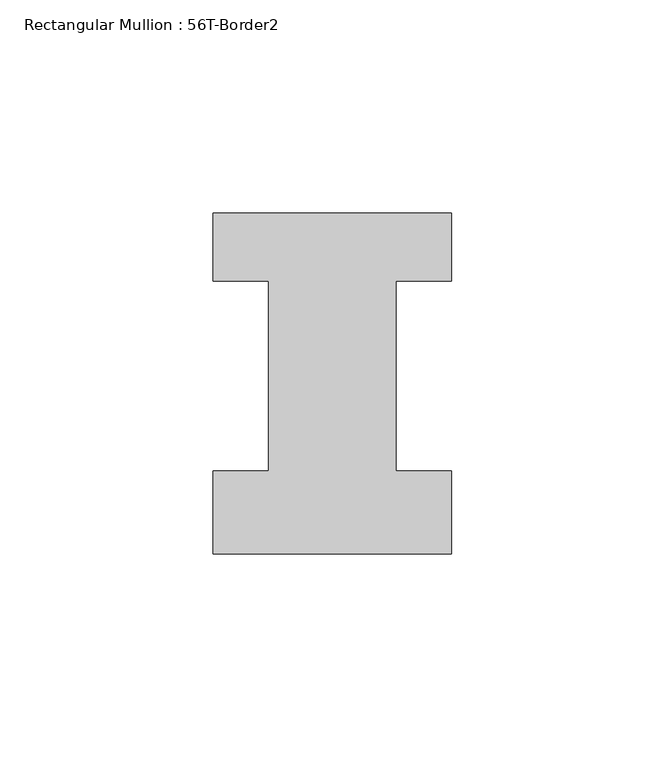
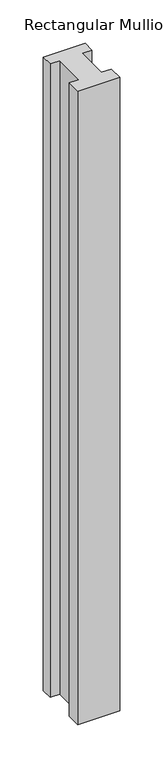
"""IFC4 building model written with IfcOpenShell, lengths in millimetres: member geometry, Rectangular Mullion : 56T-Border2."""

import ifcopenshell
import ifcopenshell.guid

model = None  # the IFC model being written
_history = None  # IfcOwnerHistory: only IFC2X3 demands one
_inside = {}  # id of a spatial element -> (the spatial element, [elements in it])
_under = {}  # id of a project, library or spatial element -> (it, [spatial elements below it])
_declared = {}  # id of a project -> (the project, [libraries it declares])
_typed = {}  # id of a type object -> (the type object, [elements of that type])
_made_of = {}  # id of a material, layer set ... -> (it, [elements and type objects made of it])


def new_model(schema):
    """Start an empty IFC model of exactly this schema.

    Asked for "IFC4X3", IfcOpenShell would pick the latest addendum, in which some entities
    have other attributes; the version numbers below select the first issue.
    IFC2X3 requires an IfcOwnerHistory on every rooted entity: one is made here for all.
    """
    global model, _history
    if schema == "IFC4X3":
        model = ifcopenshell.file(schema_version=(4, 3, 0, 0))
    else:
        model = ifcopenshell.file(schema=schema)
    _inside.clear()
    _under.clear()
    _declared.clear()
    _typed.clear()
    _made_of.clear()
    _history = None
    if model.schema == "IFC2X3":
        org = make("IfcOrganization", Name="unknown")
        user = make(
            "IfcPersonAndOrganization",
            ThePerson=make("IfcPerson", FamilyName="unknown"),
            TheOrganization=org,
        )
        app = make(
            "IfcApplication",
            ApplicationDeveloper=org,
            Version="unknown",
            ApplicationFullName="unknown",
            ApplicationIdentifier="unknown",
        )
        _history = make(
            "IfcOwnerHistory",
            OwningUser=user,
            OwningApplication=app,
            ChangeAction="ADDED",
            CreationDate=0,
        )
    return model


def make(cls, **values):
    """One entity of the class cls with the attributes given. An attribute that is None is left unset."""
    return model.create_entity(
        cls, **{name: value for name, value in values.items() if value is not None}
    )


def rooted(cls, **values):
    """An entity with a GlobalId (a new one), such as an element, a storey or a relation."""
    return make(cls, GlobalId=ifcopenshell.guid.new(), OwnerHistory=_history, **values)


def si_unit(unit_type, name, prefix=None):
    """IfcSIUnit, for example si_unit("LENGTHUNIT", "METRE", prefix="MILLI")."""
    return make("IfcSIUnit", UnitType=unit_type, Prefix=prefix, Name=name)


def assignment(units):
    """IfcUnitAssignment: the units of a project."""
    return None if units is None else make("IfcUnitAssignment", Units=units)


def point(xyz):
    """IfcCartesianPoint."""
    return None if xyz is None else make("IfcCartesianPoint", Coordinates=xyz)


def direction(xyz):
    """IfcDirection."""
    return None if xyz is None else make("IfcDirection", DirectionRatios=xyz)


def frame(location, z_axis=None, x_axis=None):
    """IfcAxis2Placement3D, a coordinate frame: its origin and axes. An axis left out is left unset."""
    return make(
        "IfcAxis2Placement3D",
        Location=point(location),
        Axis=direction(z_axis),
        RefDirection=direction(x_axis),
    )


def origin():
    """The frame at (0, 0, 0) with its axes left unset."""
    return frame((0.0, 0.0, 0.0))


def place(relative_to, where):
    """IfcLocalPlacement: puts the frame where relative to a parent placement (None: the world)."""
    return make(
        "IfcLocalPlacement", PlacementRelTo=relative_to, RelativePlacement=where
    )


def context(
    kind, dimensions, precision=None, world=None, true_north=None, identifier=None
):
    """IfcGeometricRepresentationContext, for example the 3D "Model" context."""
    return make(
        "IfcGeometricRepresentationContext",
        ContextIdentifier=identifier,
        ContextType=kind,
        CoordinateSpaceDimension=dimensions,
        Precision=precision,
        WorldCoordinateSystem=world,
        TrueNorth=true_north,
    )


def project(units=None, contexts=None):
    """IfcProject with its units and contexts."""
    return rooted(
        "IfcProject",
        Name="project",
        RepresentationContexts=contexts,
        UnitsInContext=assignment(units),
    )


def spatial(cls, under=None, at=None, **own):
    """A site, building, storey or space (cls), placed at a placement, below another one or the project."""
    s = rooted(cls, ObjectPlacement=at, **own)
    if under is not None:
        _under.setdefault(under.id(), (under, []))[1].append(s)
    return s


def polyline(points):
    """IfcPolyline through the points."""
    return make("IfcPolyline", Points=[point(p) for p in points])


def outline(outer, holes=None, kind="AREA"):
    """IfcArbitraryClosedProfileDef: a profile drawn as a closed curve; with holes, ...WithVoids."""
    if holes is None:
        return make("IfcArbitraryClosedProfileDef", ProfileType=kind, OuterCurve=outer)
    return make(
        "IfcArbitraryProfileDefWithVoids",
        ProfileType=kind,
        OuterCurve=outer,
        InnerCurves=holes,
    )


def extrude(swept, where, along, depth):
    """IfcExtrudedAreaSolid: the profile swept, set in the frame where, extruded along a direction by depth."""
    return make(
        "IfcExtrudedAreaSolid",
        SweptArea=swept,
        Position=where,
        ExtrudedDirection=direction(along),
        Depth=depth,
    )


def shape(context_of_items, identifier, shape_type, items):
    """IfcShapeRepresentation: the items that make up one representation, for example the "Body"."""
    return make(
        "IfcShapeRepresentation",
        ContextOfItems=context_of_items,
        RepresentationIdentifier=identifier,
        RepresentationType=shape_type,
        Items=items,
    )


def source(mapping_origin, context_of_items, identifier, shape_type, items):
    """IfcRepresentationMap: a shape defined once, which mapped items show again and again."""
    return make(
        "IfcRepresentationMap",
        MappingOrigin=mapping_origin,
        MappedRepresentation=shape(context_of_items, identifier, shape_type, items),
    )


def transform(
    local_origin,
    x_axis=None,
    y_axis=None,
    z_axis=None,
    scale=None,
    scale2=None,
    scale3=None,
    uniform=True,
):
    """IfcCartesianTransformationOperator3D, or its non-uniform kind. x_axis, y_axis, z_axis: its Axis1, 2, 3."""
    if uniform:
        return make(
            "IfcCartesianTransformationOperator3D",
            Axis1=direction(x_axis),
            Axis2=direction(y_axis),
            LocalOrigin=point(local_origin),
            Scale=scale,
            Axis3=direction(z_axis),
        )
    return make(
        "IfcCartesianTransformationOperator3DnonUniform",
        Axis1=direction(x_axis),
        Axis2=direction(y_axis),
        LocalOrigin=point(local_origin),
        Scale=scale,
        Axis3=direction(z_axis),
        Scale2=scale2,
        Scale3=scale3,
    )


def mapped(mapping_source, mapping_target):
    """IfcMappedItem: shows the shape of a source again, moved by a transform."""
    return make(
        "IfcMappedItem", MappingSource=mapping_source, MappingTarget=mapping_target
    )


def made_of(thing, what):
    """Note that an element or type object is made of a material, layer set ...; save() writes the relation."""
    if what is not None:
        _made_of.setdefault(what.id(), (what, []))[1].append(thing)
    return thing


def element(
    cls,
    number,
    at=None,
    inside=None,
    cuts=None,
    type_object=None,
    material=None,
    context=None,
    identifier="Body",
    shape_type=None,
    held_by="IfcProductDefinitionShape",
    body=None,
    shapes=None,
    **own,
):
    """One element of the class cls, such as IfcWall. Its Tag is "e" and its number.

    at: its placement. inside: the storey or other place that contains it. cuts: it is an
    opening in that element (IfcRelVoidsElement). A single representation is given by context,
    identifier, shape_type and body (its items); several are given by shapes. held_by: the class
    of the entity that holds the representations. save() writes the other relations.
    """
    e = rooted(cls, Tag="e%d" % number, ObjectPlacement=at, **own)
    if body is not None:
        shapes = [shape(context, identifier, shape_type, body)]
    if shapes is not None:
        e.Representation = make(held_by, Representations=shapes)
    if inside is not None:
        _inside.setdefault(inside.id(), (inside, []))[1].append(e)
    if cuts is not None:
        rooted(
            "IfcRelVoidsElement", RelatingBuildingElement=cuts, RelatedOpeningElement=e
        )
    if type_object is not None:
        _typed.setdefault(type_object.id(), (type_object, []))[1].append(e)
    return made_of(e, material)


def aggregate(whole, parts):
    """IfcRelAggregates: a whole, such as a stair, and the parts it consists of."""
    return rooted("IfcRelAggregates", RelatingObject=whole, RelatedObjects=parts)


def save(model, path):
    """Write the relations noted so far, then the file.

    IfcRelAggregates (storeys below a building ...), IfcRelContainedInSpatialStructure (elements
    in a storey), IfcRelDefinesByType, IfcRelAssociatesMaterial and IfcRelDeclares: one each for
    every whole, place, type object, material and project.
    """
    for whole, parts in _under.values():
        aggregate(whole, parts)
    for where, things in _inside.values():
        rooted(
            "IfcRelContainedInSpatialStructure",
            RelatedElements=things,
            RelatingStructure=where,
        )
    for kind, things in _typed.values():
        rooted("IfcRelDefinesByType", RelatedObjects=things, RelatingType=kind)
    for what, things in _made_of.values():
        rooted("IfcRelAssociatesMaterial", RelatedObjects=things, RelatingMaterial=what)
    for by, libraries in _declared.values():
        rooted("IfcRelDeclares", RelatingContext=by, RelatedDefinitions=libraries)
    model.write(path)


def rectangular_mullion_56t_border2_20db8def(model_context):
    return source(origin(), model_context, "Body", "SweptSolid", [
        extrude(outline(polyline([(0.0, -20.0), (-56.0, -20.0), (-56.0, -0.5), (-43.0, -0.5), (-43.0, 44.0), (-56.0, 44.0), (-56.0, 60.0), (0.0, 60.0), (0.0, 44.0), (-13.0, 44.0), (-13.0, -0.5), (0.0, -0.5), (0.0, -20.0)])), frame((0.0, 0.0, -896.0), z_axis=(0.0, 0.0, 1.0), x_axis=(1.0, 0.0, 0.0)), (0.0, 0.0, 1.0), 896.0),
    ])


if __name__ == "__main__":
    model = new_model("IFC4")
    model_context = context("Model", 3, world=origin())
    ifc_project = project(units=[si_unit("LENGTHUNIT", "METRE", prefix="MILLI")], contexts=[model_context])
    site = spatial("IfcSite", under=ifc_project)
    building = spatial("IfcBuilding", under=site)
    placement = place(None, origin())
    rectangular_mullion_56t_border2_shape = rectangular_mullion_56t_border2_20db8def(model_context)
    element("IfcMember", 1, ObjectType="Rectangular Mullion : 56T-Border2", at=placement, inside=building, context=model_context, shape_type="MappedRepresentation", body=[
        mapped(rectangular_mullion_56t_border2_shape, transform((0.0, 0.0, 0.0), x_axis=(1.0, 0.0, 0.0), y_axis=(0.0, 1.0, 0.0), z_axis=(0.0, 0.0, 1.0))),
    ])
    save(model, "model.ifc")
